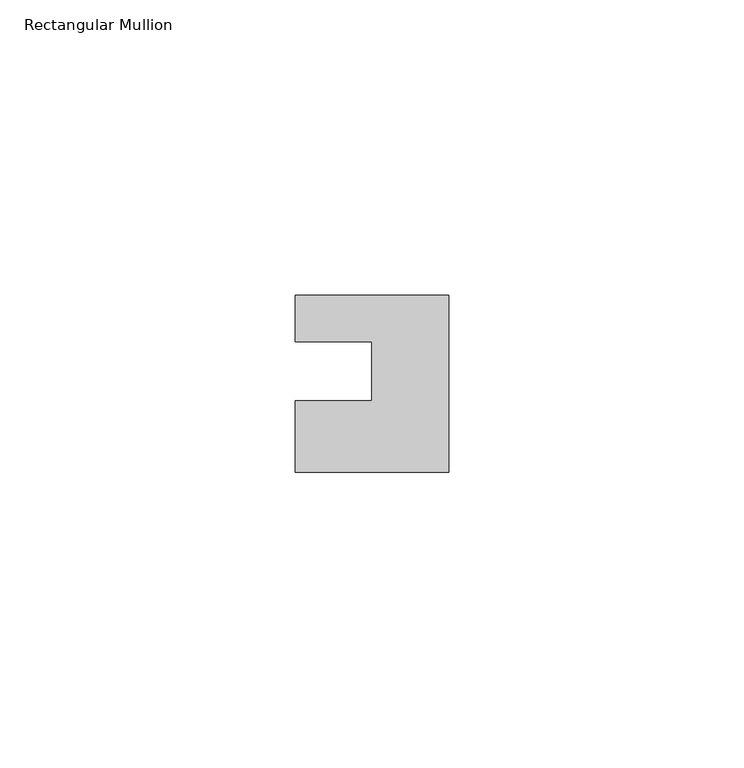
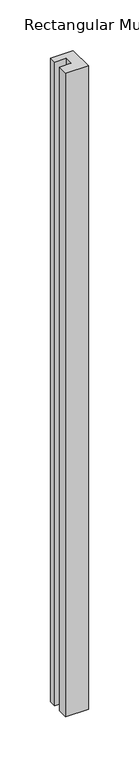
"""IFC4 building model written with IfcOpenShell, lengths in millimetres: member geometry, Rectangular Mullion."""

from ifc_helpers import new_model, si_unit, frame, origin, place, context, project, spatial, polyline, outline, extrude, source, transform, mapped, element, save


def rectangular_mullion_177de17d(model_context):
    return source(origin(), model_context, "Body", "SweptSolid", [
        extrude(outline(polyline([(-26.0, 0.001), (-26.0, 7.94), (0.0, 7.94), (0.0, -22.06), (-26.0, -22.06), (-26.0, -10.0), (-13.0, -10.0), (-13.0, 0.001), (-26.0, 0.001)])), frame((0.0, 0.0, -776.0), z_axis=(0.0, 0.0, 1.0), x_axis=(1.0, 0.0, 0.0)), (0.0, 0.0, 1.0), 776.0),
    ])


if __name__ == "__main__":
    model = new_model("IFC4")
    model_context = context("Model", 3, world=origin())
    ifc_project = project(units=[si_unit("LENGTHUNIT", "METRE", prefix="MILLI")], contexts=[model_context])
    site = spatial("IfcSite", under=ifc_project)
    building = spatial("IfcBuilding", under=site)
    placement = place(None, origin())
    rectangular_mullion_shape = rectangular_mullion_177de17d(model_context)
    element("IfcMember", 1, ObjectType="Rectangular Mullion", at=placement, inside=building, context=model_context, shape_type="MappedRepresentation", body=[
        mapped(rectangular_mullion_shape, transform((0.0, 0.0, 0.0), x_axis=(1.0, 0.0, 0.0), y_axis=(0.0, 1.0, 0.0), z_axis=(0.0, 0.0, 1.0))),
    ])
    save(model, "model.ifc")
